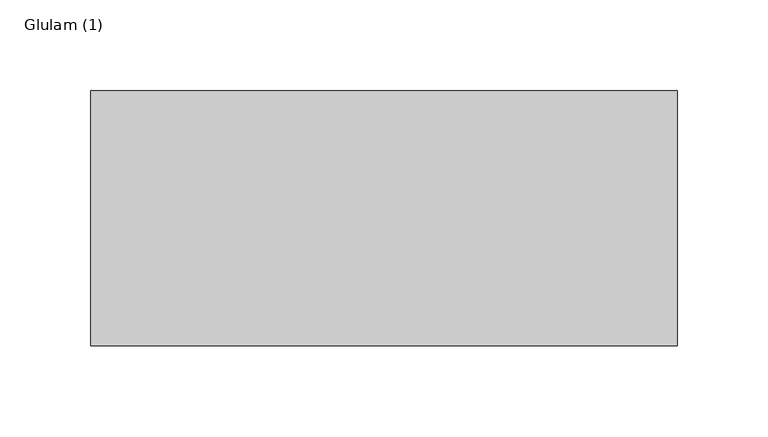
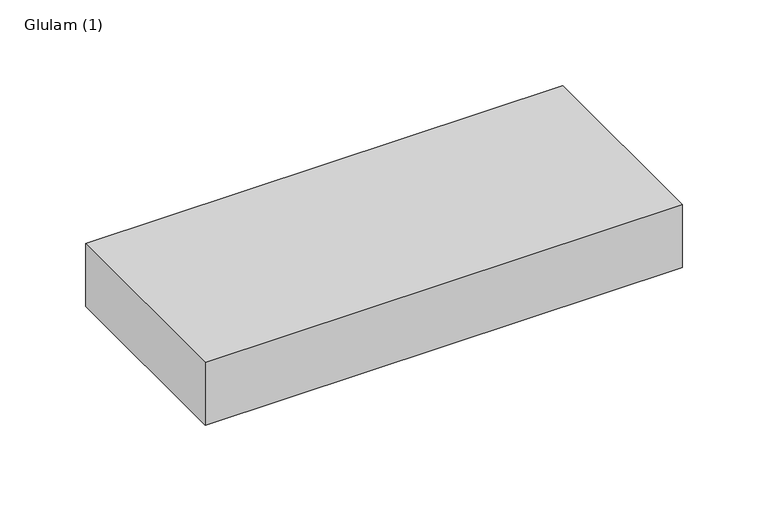
"""IFC4 building model written with IfcOpenShell, lengths in millimetres: beam geometry, Glulam (1)."""

from ifc_helpers import new_model, si_unit, frame, origin, place, context, project, spatial, polyline, outline, extrude, source, transform, mapped, element, save


def glulam_1_3c7306bd(model_context):
    return source(origin(), model_context, "Body", "SweptSolid", [
        extrude(outline(polyline([(165.0, 70.0), (165.0, -70.0), (-157.0, -70.0), (-157.0, 70.0), (165.0, 70.0)])), frame((0.0, 0.0, -22.5), z_axis=(0.0, 0.0, 1.0), x_axis=(1.0, 0.0, 0.0)), (0.0, 0.0, 1.0), 45.0),
    ])


if __name__ == "__main__":
    model = new_model("IFC4")
    model_context = context("Model", 3, world=origin())
    ifc_project = project(units=[si_unit("LENGTHUNIT", "METRE", prefix="MILLI")], contexts=[model_context])
    site = spatial("IfcSite", under=ifc_project)
    building = spatial("IfcBuilding", under=site)
    placement = place(None, origin())
    glulam_1_shape = glulam_1_3c7306bd(model_context)
    element("IfcBeam", 1, ObjectType="Glulam (1)", at=placement, inside=building, context=model_context, shape_type="MappedRepresentation", body=[
        mapped(glulam_1_shape, transform((0.0, 0.0, 0.0), x_axis=(1.0, 0.0, 0.0), y_axis=(0.0, 1.0, 0.0), z_axis=(0.0, 0.0, 1.0))),
    ])
    save(model, "model.ifc")
